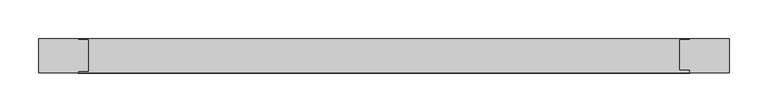
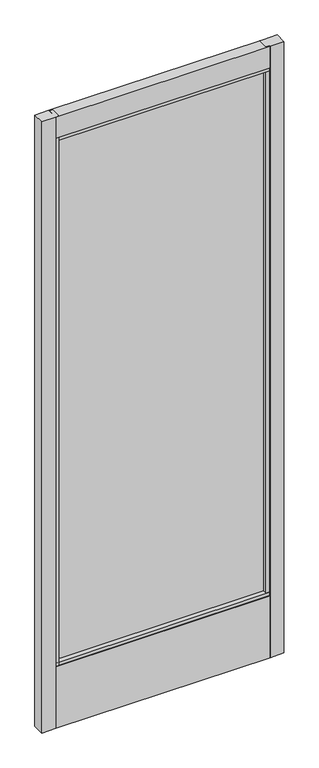
"""IFC4 building model written with IfcOpenShell, lengths in millimetres: plate geometry."""

import ifcopenshell
import ifcopenshell.guid

model = None  # the IFC model being written
_history = None  # IfcOwnerHistory: only IFC2X3 demands one
_inside = {}  # id of a spatial element -> (the spatial element, [elements in it])
_under = {}  # id of a project, library or spatial element -> (it, [spatial elements below it])
_declared = {}  # id of a project -> (the project, [libraries it declares])
_typed = {}  # id of a type object -> (the type object, [elements of that type])
_made_of = {}  # id of a material, layer set ... -> (it, [elements and type objects made of it])


def new_model(schema):
    """Start an empty IFC model of exactly this schema.

    Asked for "IFC4X3", IfcOpenShell would pick the latest addendum, in which some entities
    have other attributes; the version numbers below select the first issue.
    IFC2X3 requires an IfcOwnerHistory on every rooted entity: one is made here for all.
    """
    global model, _history
    if schema == "IFC4X3":
        model = ifcopenshell.file(schema_version=(4, 3, 0, 0))
    else:
        model = ifcopenshell.file(schema=schema)
    _inside.clear()
    _under.clear()
    _declared.clear()
    _typed.clear()
    _made_of.clear()
    _history = None
    if model.schema == "IFC2X3":
        org = make("IfcOrganization", Name="unknown")
        user = make(
            "IfcPersonAndOrganization",
            ThePerson=make("IfcPerson", FamilyName="unknown"),
            TheOrganization=org,
        )
        app = make(
            "IfcApplication",
            ApplicationDeveloper=org,
            Version="unknown",
            ApplicationFullName="unknown",
            ApplicationIdentifier="unknown",
        )
        _history = make(
            "IfcOwnerHistory",
            OwningUser=user,
            OwningApplication=app,
            ChangeAction="ADDED",
            CreationDate=0,
        )
    return model


def make(cls, **values):
    """One entity of the class cls with the attributes given. An attribute that is None is left unset."""
    return model.create_entity(
        cls, **{name: value for name, value in values.items() if value is not None}
    )


def rooted(cls, **values):
    """An entity with a GlobalId (a new one), such as an element, a storey or a relation."""
    return make(cls, GlobalId=ifcopenshell.guid.new(), OwnerHistory=_history, **values)


def si_unit(unit_type, name, prefix=None):
    """IfcSIUnit, for example si_unit("LENGTHUNIT", "METRE", prefix="MILLI")."""
    return make("IfcSIUnit", UnitType=unit_type, Prefix=prefix, Name=name)


def assignment(units):
    """IfcUnitAssignment: the units of a project."""
    return None if units is None else make("IfcUnitAssignment", Units=units)


def point(xyz):
    """IfcCartesianPoint."""
    return None if xyz is None else make("IfcCartesianPoint", Coordinates=xyz)


def direction(xyz):
    """IfcDirection."""
    return None if xyz is None else make("IfcDirection", DirectionRatios=xyz)


def frame(location, z_axis=None, x_axis=None):
    """IfcAxis2Placement3D, a coordinate frame: its origin and axes. An axis left out is left unset."""
    return make(
        "IfcAxis2Placement3D",
        Location=point(location),
        Axis=direction(z_axis),
        RefDirection=direction(x_axis),
    )


def origin():
    """The frame at (0, 0, 0) with its axes left unset."""
    return frame((0.0, 0.0, 0.0))


def place(relative_to, where):
    """IfcLocalPlacement: puts the frame where relative to a parent placement (None: the world)."""
    return make(
        "IfcLocalPlacement", PlacementRelTo=relative_to, RelativePlacement=where
    )


def context(
    kind, dimensions, precision=None, world=None, true_north=None, identifier=None
):
    """IfcGeometricRepresentationContext, for example the 3D "Model" context."""
    return make(
        "IfcGeometricRepresentationContext",
        ContextIdentifier=identifier,
        ContextType=kind,
        CoordinateSpaceDimension=dimensions,
        Precision=precision,
        WorldCoordinateSystem=world,
        TrueNorth=true_north,
    )


def project(units=None, contexts=None):
    """IfcProject with its units and contexts."""
    return rooted(
        "IfcProject",
        Name="project",
        RepresentationContexts=contexts,
        UnitsInContext=assignment(units),
    )


def spatial(cls, under=None, at=None, **own):
    """A site, building, storey or space (cls), placed at a placement, below another one or the project."""
    s = rooted(cls, ObjectPlacement=at, **own)
    if under is not None:
        _under.setdefault(under.id(), (under, []))[1].append(s)
    return s


def polyline(points):
    """IfcPolyline through the points."""
    return make("IfcPolyline", Points=[point(p) for p in points])


def outline(outer, holes=None, kind="AREA"):
    """IfcArbitraryClosedProfileDef: a profile drawn as a closed curve; with holes, ...WithVoids."""
    if holes is None:
        return make("IfcArbitraryClosedProfileDef", ProfileType=kind, OuterCurve=outer)
    return make(
        "IfcArbitraryProfileDefWithVoids",
        ProfileType=kind,
        OuterCurve=outer,
        InnerCurves=holes,
    )


def extrude(swept, where, along, depth):
    """IfcExtrudedAreaSolid: the profile swept, set in the frame where, extruded along a direction by depth."""
    return make(
        "IfcExtrudedAreaSolid",
        SweptArea=swept,
        Position=where,
        ExtrudedDirection=direction(along),
        Depth=depth,
    )


def shape(context_of_items, identifier, shape_type, items):
    """IfcShapeRepresentation: the items that make up one representation, for example the "Body"."""
    return make(
        "IfcShapeRepresentation",
        ContextOfItems=context_of_items,
        RepresentationIdentifier=identifier,
        RepresentationType=shape_type,
        Items=items,
    )


def source(mapping_origin, context_of_items, identifier, shape_type, items):
    """IfcRepresentationMap: a shape defined once, which mapped items show again and again."""
    return make(
        "IfcRepresentationMap",
        MappingOrigin=mapping_origin,
        MappedRepresentation=shape(context_of_items, identifier, shape_type, items),
    )


def transform(
    local_origin,
    x_axis=None,
    y_axis=None,
    z_axis=None,
    scale=None,
    scale2=None,
    scale3=None,
    uniform=True,
):
    """IfcCartesianTransformationOperator3D, or its non-uniform kind. x_axis, y_axis, z_axis: its Axis1, 2, 3."""
    if uniform:
        return make(
            "IfcCartesianTransformationOperator3D",
            Axis1=direction(x_axis),
            Axis2=direction(y_axis),
            LocalOrigin=point(local_origin),
            Scale=scale,
            Axis3=direction(z_axis),
        )
    return make(
        "IfcCartesianTransformationOperator3DnonUniform",
        Axis1=direction(x_axis),
        Axis2=direction(y_axis),
        LocalOrigin=point(local_origin),
        Scale=scale,
        Axis3=direction(z_axis),
        Scale2=scale2,
        Scale3=scale3,
    )


def mapped(mapping_source, mapping_target):
    """IfcMappedItem: shows the shape of a source again, moved by a transform."""
    return make(
        "IfcMappedItem", MappingSource=mapping_source, MappingTarget=mapping_target
    )


def made_of(thing, what):
    """Note that an element or type object is made of a material, layer set ...; save() writes the relation."""
    if what is not None:
        _made_of.setdefault(what.id(), (what, []))[1].append(thing)
    return thing


def element(
    cls,
    number,
    at=None,
    inside=None,
    cuts=None,
    type_object=None,
    material=None,
    context=None,
    identifier="Body",
    shape_type=None,
    held_by="IfcProductDefinitionShape",
    body=None,
    shapes=None,
    **own,
):
    """One element of the class cls, such as IfcWall. Its Tag is "e" and its number.

    at: its placement. inside: the storey or other place that contains it. cuts: it is an
    opening in that element (IfcRelVoidsElement). A single representation is given by context,
    identifier, shape_type and body (its items); several are given by shapes. held_by: the class
    of the entity that holds the representations. save() writes the other relations.
    """
    e = rooted(cls, Tag="e%d" % number, ObjectPlacement=at, **own)
    if body is not None:
        shapes = [shape(context, identifier, shape_type, body)]
    if shapes is not None:
        e.Representation = make(held_by, Representations=shapes)
    if inside is not None:
        _inside.setdefault(inside.id(), (inside, []))[1].append(e)
    if cuts is not None:
        rooted(
            "IfcRelVoidsElement", RelatingBuildingElement=cuts, RelatedOpeningElement=e
        )
    if type_object is not None:
        _typed.setdefault(type_object.id(), (type_object, []))[1].append(e)
    return made_of(e, material)


def aggregate(whole, parts):
    """IfcRelAggregates: a whole, such as a stair, and the parts it consists of."""
    return rooted("IfcRelAggregates", RelatingObject=whole, RelatedObjects=parts)


def save(model, path):
    """Write the relations noted so far, then the file.

    IfcRelAggregates (storeys below a building ...), IfcRelContainedInSpatialStructure (elements
    in a storey), IfcRelDefinesByType, IfcRelAssociatesMaterial and IfcRelDeclares: one each for
    every whole, place, type object, material and project.
    """
    for whole, parts in _under.values():
        aggregate(whole, parts)
    for where, things in _inside.values():
        rooted(
            "IfcRelContainedInSpatialStructure",
            RelatedElements=things,
            RelatingStructure=where,
        )
    for kind, things in _typed.values():
        rooted("IfcRelDefinesByType", RelatedObjects=things, RelatingType=kind)
    for what, things in _made_of.values():
        rooted("IfcRelAssociatesMaterial", RelatedObjects=things, RelatingMaterial=what)
    for by, libraries in _declared.values():
        rooted("IfcRelDeclares", RelatingContext=by, RelatedDefinitions=libraries)
    model.write(path)


def plate_19dcee38(model_context):
    return source(origin(), model_context, "Body", "SweptSolid", [
        extrude(outline(polyline([(-447.3993952, 14.2875), (-395.7955247, 14.2875), (-395.7955247, 12.7276195), (-383.0955247, 12.7276195), (-383.0955247, -28.2929584), (-395.7955247, -28.2929584), (-395.7955247, -30.1625), (-447.3993952, -30.1625), (-447.3993952, 14.2875)])), frame((0.0, 0.0, 17.4625), z_axis=(0.0, 0.0, 1.0), x_axis=(1.0, 0.0, 0.0)), (0.0, 0.0, 1.0), 2387.6),
        extrude(outline(polyline([(-391.487061, -10.8991855), (-391.487061, -4.5491855), (387.8765671, -4.5491855), (387.8765671, -10.8991855), (-391.487061, -10.8991855)])), frame((0.0, 0.0, 263.906), z_axis=(0.0, 0.0, 1.0), x_axis=(1.0, 0.0, 0.0)), (0.0, 0.0, 1.0), 2053.844),
        extrude(outline(polyline([(447.3993952, 14.2875), (447.3993952, -30.1625), (395.7955247, -30.1625), (395.7955247, -26.0572968), (383.0955247, -26.0572968), (383.0955247, 12.7276195), (395.7955247, 12.7276195), (395.7955247, 14.2875), (447.3993952, 14.2875)])), frame((0.0, 0.0, 17.4625), z_axis=(0.0, 0.0, 1.0), x_axis=(1.0, 0.0, 0.0)), (0.0, 0.0, 1.0), 2387.6),
        extrude(outline(polyline([(-30.1625, 2405.0625), (14.2875, 2405.0625), (14.2875, 2322.515294), (12.7276195, 2322.515294), (12.7276195, 2309.8125), (-28.2929584, 2309.8125), (-28.2929584, 2322.515294), (-30.1625, 2322.515294), (-30.1625, 2405.0625)])), frame((-395.7955247, 0.0, 0.0), z_axis=(1.0, 0.0, 0.0), x_axis=(0.0, 1.0, 0.0)), (0.0, 0.0, 1.0), 791.5910494),
        extrude(outline(polyline([(-28.2929584, 271.4298836), (12.7276195, 271.4298836), (12.7276195, 258.7303916), (14.2875, 258.7303916), (14.2875, 17.4625), (-30.1625, 17.4625), (-30.1625, 258.7303916), (-28.2929584, 258.7303916), (-28.2929584, 271.4298836)])), frame((-395.7955247, 0.0, 0.0), z_axis=(1.0, 0.0, 0.0), x_axis=(0.0, 1.0, 0.0)), (0.0, 0.0, 1.0), 791.5910494),
    ])


if __name__ == "__main__":
    model = new_model("IFC4")
    model_context = context("Model", 3, world=origin())
    ifc_project = project(units=[si_unit("LENGTHUNIT", "METRE", prefix="MILLI")], contexts=[model_context])
    site = spatial("IfcSite", under=ifc_project)
    building = spatial("IfcBuilding", under=site)
    placement = place(None, origin())
    plate_shape = plate_19dcee38(model_context)
    element("IfcPlate", 1, at=placement, inside=building, context=model_context, shape_type="MappedRepresentation", body=[
        mapped(plate_shape, transform((0.0, 0.0, 0.0), x_axis=(1.0, 0.0, 0.0), y_axis=(0.0, 1.0, 0.0), z_axis=(0.0, 0.0, 1.0))),
    ])
    save(model, "model.ifc")
